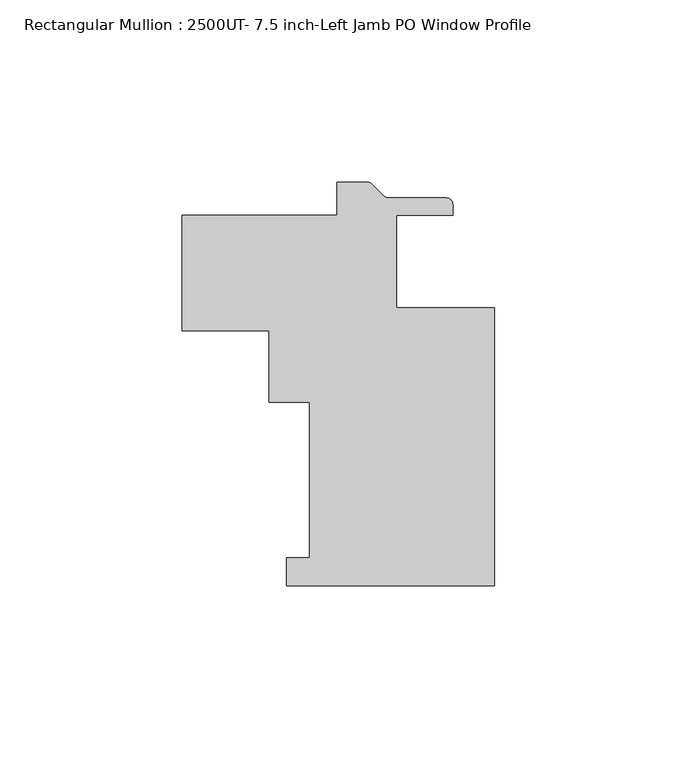
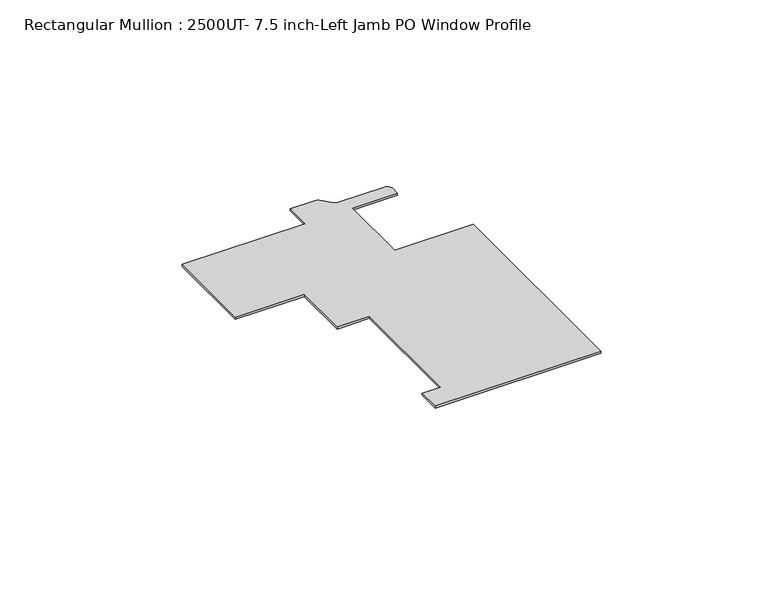
"""IFC4 building model written with IfcOpenShell, lengths in millimetres: member geometry, Rectangular Mullion : 2500UT- 7.5 inch-Left Jamb PO Window Profile."""

import ifcopenshell
import ifcopenshell.guid

model = None  # the IFC model being written
_history = None  # IfcOwnerHistory: only IFC2X3 demands one
_inside = {}  # id of a spatial element -> (the spatial element, [elements in it])
_under = {}  # id of a project, library or spatial element -> (it, [spatial elements below it])
_declared = {}  # id of a project -> (the project, [libraries it declares])
_typed = {}  # id of a type object -> (the type object, [elements of that type])
_made_of = {}  # id of a material, layer set ... -> (it, [elements and type objects made of it])


def new_model(schema):
    """Start an empty IFC model of exactly this schema.

    Asked for "IFC4X3", IfcOpenShell would pick the latest addendum, in which some entities
    have other attributes; the version numbers below select the first issue.
    IFC2X3 requires an IfcOwnerHistory on every rooted entity: one is made here for all.
    """
    global model, _history
    if schema == "IFC4X3":
        model = ifcopenshell.file(schema_version=(4, 3, 0, 0))
    else:
        model = ifcopenshell.file(schema=schema)
    _inside.clear()
    _under.clear()
    _declared.clear()
    _typed.clear()
    _made_of.clear()
    _history = None
    if model.schema == "IFC2X3":
        org = make("IfcOrganization", Name="unknown")
        user = make(
            "IfcPersonAndOrganization",
            ThePerson=make("IfcPerson", FamilyName="unknown"),
            TheOrganization=org,
        )
        app = make(
            "IfcApplication",
            ApplicationDeveloper=org,
            Version="unknown",
            ApplicationFullName="unknown",
            ApplicationIdentifier="unknown",
        )
        _history = make(
            "IfcOwnerHistory",
            OwningUser=user,
            OwningApplication=app,
            ChangeAction="ADDED",
            CreationDate=0,
        )
    return model


def make(cls, **values):
    """One entity of the class cls with the attributes given. An attribute that is None is left unset."""
    return model.create_entity(
        cls, **{name: value for name, value in values.items() if value is not None}
    )


def rooted(cls, **values):
    """An entity with a GlobalId (a new one), such as an element, a storey or a relation."""
    return make(cls, GlobalId=ifcopenshell.guid.new(), OwnerHistory=_history, **values)


def si_unit(unit_type, name, prefix=None):
    """IfcSIUnit, for example si_unit("LENGTHUNIT", "METRE", prefix="MILLI")."""
    return make("IfcSIUnit", UnitType=unit_type, Prefix=prefix, Name=name)


def assignment(units):
    """IfcUnitAssignment: the units of a project."""
    return None if units is None else make("IfcUnitAssignment", Units=units)


def point(xyz):
    """IfcCartesianPoint."""
    return None if xyz is None else make("IfcCartesianPoint", Coordinates=xyz)


def direction(xyz):
    """IfcDirection."""
    return None if xyz is None else make("IfcDirection", DirectionRatios=xyz)


def frame(location, z_axis=None, x_axis=None):
    """IfcAxis2Placement3D, a coordinate frame: its origin and axes. An axis left out is left unset."""
    return make(
        "IfcAxis2Placement3D",
        Location=point(location),
        Axis=direction(z_axis),
        RefDirection=direction(x_axis),
    )


def frame_2d(location, x_axis=None):
    """IfcAxis2Placement2D, a coordinate frame in the plane: its origin and x axis."""
    return make(
        "IfcAxis2Placement2D", Location=point(location), RefDirection=direction(x_axis)
    )


def origin():
    """The frame at (0, 0, 0) with its axes left unset."""
    return frame((0.0, 0.0, 0.0))


def place(relative_to, where):
    """IfcLocalPlacement: puts the frame where relative to a parent placement (None: the world)."""
    return make(
        "IfcLocalPlacement", PlacementRelTo=relative_to, RelativePlacement=where
    )


def context(
    kind, dimensions, precision=None, world=None, true_north=None, identifier=None
):
    """IfcGeometricRepresentationContext, for example the 3D "Model" context."""
    return make(
        "IfcGeometricRepresentationContext",
        ContextIdentifier=identifier,
        ContextType=kind,
        CoordinateSpaceDimension=dimensions,
        Precision=precision,
        WorldCoordinateSystem=world,
        TrueNorth=true_north,
    )


def project(units=None, contexts=None):
    """IfcProject with its units and contexts."""
    return rooted(
        "IfcProject",
        Name="project",
        RepresentationContexts=contexts,
        UnitsInContext=assignment(units),
    )


def spatial(cls, under=None, at=None, **own):
    """A site, building, storey or space (cls), placed at a placement, below another one or the project."""
    s = rooted(cls, ObjectPlacement=at, **own)
    if under is not None:
        _under.setdefault(under.id(), (under, []))[1].append(s)
    return s


def polyline(points):
    """IfcPolyline through the points."""
    return make("IfcPolyline", Points=[point(p) for p in points])


def circle_curve(where, radius):
    """IfcCircle in the frame where."""
    return make("IfcCircle", Position=where, Radius=radius)


def trimmed(basis, trim1, trim2, sense, master):
    """IfcTrimmedCurve: the piece of a basis curve between two trims."""
    return make(
        "IfcTrimmedCurve",
        BasisCurve=basis,
        Trim1=trim1,
        Trim2=trim2,
        SenseAgreement=sense,
        MasterRepresentation=master,
    )


def segment(curve, same_sense, transition):
    """IfcCompositeCurveSegment."""
    return make(
        "IfcCompositeCurveSegment",
        Transition=transition,
        SameSense=same_sense,
        ParentCurve=curve,
    )


def composite_curve(segments, self_intersect=None):
    """IfcCompositeCurve: segments joined end to end."""
    return make("IfcCompositeCurve", Segments=segments, SelfIntersect=self_intersect)


def outline(outer, holes=None, kind="AREA"):
    """IfcArbitraryClosedProfileDef: a profile drawn as a closed curve; with holes, ...WithVoids."""
    if holes is None:
        return make("IfcArbitraryClosedProfileDef", ProfileType=kind, OuterCurve=outer)
    return make(
        "IfcArbitraryProfileDefWithVoids",
        ProfileType=kind,
        OuterCurve=outer,
        InnerCurves=holes,
    )


def extrude(swept, where, along, depth):
    """IfcExtrudedAreaSolid: the profile swept, set in the frame where, extruded along a direction by depth."""
    return make(
        "IfcExtrudedAreaSolid",
        SweptArea=swept,
        Position=where,
        ExtrudedDirection=direction(along),
        Depth=depth,
    )


def shape(context_of_items, identifier, shape_type, items):
    """IfcShapeRepresentation: the items that make up one representation, for example the "Body"."""
    return make(
        "IfcShapeRepresentation",
        ContextOfItems=context_of_items,
        RepresentationIdentifier=identifier,
        RepresentationType=shape_type,
        Items=items,
    )


def source(mapping_origin, context_of_items, identifier, shape_type, items):
    """IfcRepresentationMap: a shape defined once, which mapped items show again and again."""
    return make(
        "IfcRepresentationMap",
        MappingOrigin=mapping_origin,
        MappedRepresentation=shape(context_of_items, identifier, shape_type, items),
    )


def transform(
    local_origin,
    x_axis=None,
    y_axis=None,
    z_axis=None,
    scale=None,
    scale2=None,
    scale3=None,
    uniform=True,
):
    """IfcCartesianTransformationOperator3D, or its non-uniform kind. x_axis, y_axis, z_axis: its Axis1, 2, 3."""
    if uniform:
        return make(
            "IfcCartesianTransformationOperator3D",
            Axis1=direction(x_axis),
            Axis2=direction(y_axis),
            LocalOrigin=point(local_origin),
            Scale=scale,
            Axis3=direction(z_axis),
        )
    return make(
        "IfcCartesianTransformationOperator3DnonUniform",
        Axis1=direction(x_axis),
        Axis2=direction(y_axis),
        LocalOrigin=point(local_origin),
        Scale=scale,
        Axis3=direction(z_axis),
        Scale2=scale2,
        Scale3=scale3,
    )


def mapped(mapping_source, mapping_target):
    """IfcMappedItem: shows the shape of a source again, moved by a transform."""
    return make(
        "IfcMappedItem", MappingSource=mapping_source, MappingTarget=mapping_target
    )


def made_of(thing, what):
    """Note that an element or type object is made of a material, layer set ...; save() writes the relation."""
    if what is not None:
        _made_of.setdefault(what.id(), (what, []))[1].append(thing)
    return thing


def element(
    cls,
    number,
    at=None,
    inside=None,
    cuts=None,
    type_object=None,
    material=None,
    context=None,
    identifier="Body",
    shape_type=None,
    held_by="IfcProductDefinitionShape",
    body=None,
    shapes=None,
    **own,
):
    """One element of the class cls, such as IfcWall. Its Tag is "e" and its number.

    at: its placement. inside: the storey or other place that contains it. cuts: it is an
    opening in that element (IfcRelVoidsElement). A single representation is given by context,
    identifier, shape_type and body (its items); several are given by shapes. held_by: the class
    of the entity that holds the representations. save() writes the other relations.
    """
    e = rooted(cls, Tag="e%d" % number, ObjectPlacement=at, **own)
    if body is not None:
        shapes = [shape(context, identifier, shape_type, body)]
    if shapes is not None:
        e.Representation = make(held_by, Representations=shapes)
    if inside is not None:
        _inside.setdefault(inside.id(), (inside, []))[1].append(e)
    if cuts is not None:
        rooted(
            "IfcRelVoidsElement", RelatingBuildingElement=cuts, RelatedOpeningElement=e
        )
    if type_object is not None:
        _typed.setdefault(type_object.id(), (type_object, []))[1].append(e)
    return made_of(e, material)


def aggregate(whole, parts):
    """IfcRelAggregates: a whole, such as a stair, and the parts it consists of."""
    return rooted("IfcRelAggregates", RelatingObject=whole, RelatedObjects=parts)


def save(model, path):
    """Write the relations noted so far, then the file.

    IfcRelAggregates (storeys below a building ...), IfcRelContainedInSpatialStructure (elements
    in a storey), IfcRelDefinesByType, IfcRelAssociatesMaterial and IfcRelDeclares: one each for
    every whole, place, type object, material and project.
    """
    for whole, parts in _under.values():
        aggregate(whole, parts)
    for where, things in _inside.values():
        rooted(
            "IfcRelContainedInSpatialStructure",
            RelatedElements=things,
            RelatingStructure=where,
        )
    for kind, things in _typed.values():
        rooted("IfcRelDefinesByType", RelatedObjects=things, RelatingType=kind)
    for what, things in _made_of.values():
        rooted("IfcRelAssociatesMaterial", RelatedObjects=things, RelatingMaterial=what)
    for by, libraries in _declared.values():
        rooted("IfcRelDeclares", RelatingContext=by, RelatedDefinitions=libraries)
    model.write(path)


def rectangular_mullion_2500ut_7_5_inch_left_jamb_po_window_ee1614ba(model_context):
    return source(origin(), model_context, "Body", "SweptSolid", [
        extrude(outline(composite_curve([segment(polyline([(61.9087917, -88.738075), (4.7587917, -88.738075), (4.7587917, -81.118075), (11.1087917, -81.118075), (11.1087917, -38.414325), (-0.0037083, -38.414325), (-0.0037083, -18.887281), (-23.7998, -18.887281), (-23.7998, 12.862719), (18.6724413, 12.862719), (18.6724413, 21.828125), (27.0362618, 21.828125)]), True, "CONTINUOUS"), segment(trimmed(circle_curve(frame_2d((27.0362618, 20.050125)), 1.778), [point((27.0362618, 21.828125))], [point((28.2934976, 21.3073609))], False, "CARTESIAN"), True, "CONTINUOUS"), segment(polyline([(28.2934976, 21.3073609), (31.5191693, 18.0816891)]), True, "CONTINUOUS"), segment(trimmed(circle_curve(frame_2d((32.7764052, 19.338925)), 1.778), [point((31.5191693, 18.0816891))], [point((32.7764052, 17.560925))], True, "CARTESIAN"), True, "CONTINUOUS"), segment(polyline([(32.7764052, 17.560925), (48.6444413, 17.560925)]), True, "CONTINUOUS"), segment(trimmed(circle_curve(frame_2d((48.6444413, 15.782925)), 1.778), [point((48.6444413, 17.560925))], [point((50.4224413, 15.782925))], False, "CARTESIAN"), True, "CONTINUOUS"), segment(polyline([(50.4224413, 15.782925), (50.4224413, 12.8619249), (34.9212916, 12.8619249), (34.9212916, -12.5380752), (61.9087917, -12.5380752), (61.9087917, -88.738075)]), True, "CONTINUOUS")], self_intersect=False)), frame((0.0, 0.0, -0.7941147), z_axis=(0.0, 0.0, 1.0), x_axis=(1.0, 0.0, 0.0)), (0.0, 0.0, 1.0), 0.7941147),
    ])


if __name__ == "__main__":
    model = new_model("IFC4")
    model_context = context("Model", 3, world=origin())
    ifc_project = project(units=[si_unit("LENGTHUNIT", "METRE", prefix="MILLI")], contexts=[model_context])
    site = spatial("IfcSite", under=ifc_project)
    building = spatial("IfcBuilding", under=site)
    placement = place(None, origin())
    rectangular_mullion_2500ut_7_5_inch_left_jamb_po_window_shape = rectangular_mullion_2500ut_7_5_inch_left_jamb_po_window_ee1614ba(model_context)
    element("IfcMember", 1, ObjectType="Rectangular Mullion : 2500UT- 7.5 inch-Left Jamb PO Window Profile", at=placement, inside=building, context=model_context, shape_type="MappedRepresentation", body=[
        mapped(rectangular_mullion_2500ut_7_5_inch_left_jamb_po_window_shape, transform((0.0, 0.0, 0.0), x_axis=(1.0, 0.0, 0.0), y_axis=(0.0, 1.0, 0.0), z_axis=(0.0, 0.0, 1.0))),
    ])
    save(model, "model.ifc")
